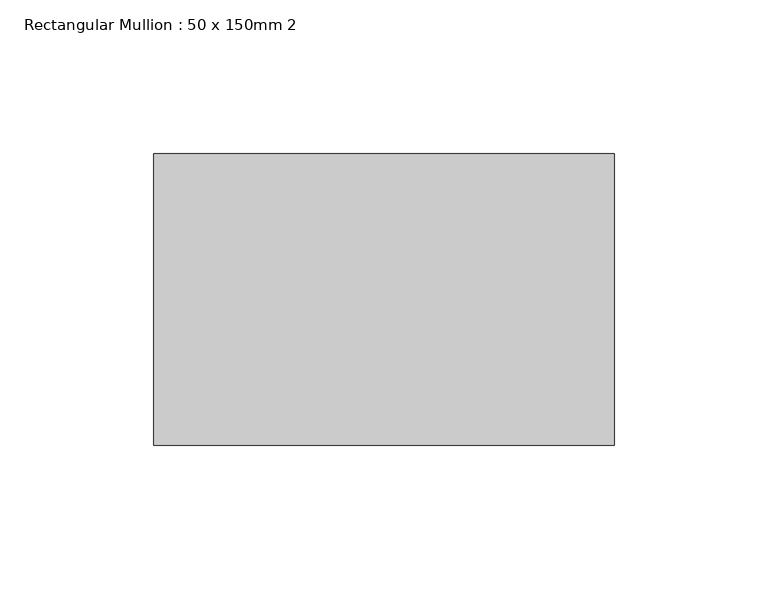
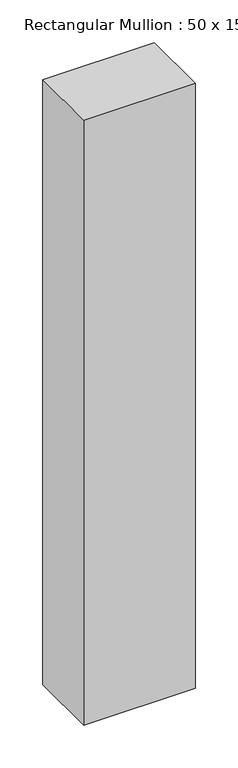
"""IFC4 building model written with IfcOpenShell, lengths in millimetres: member geometry, Rectangular Mullion : 50 x 150mm 2."""

from ifc_helpers import new_model, si_unit, frame, origin, place, context, project, spatial, polyline, outline, extrude, source, transform, mapped, element, save


def rectangular_mullion_50_x_150mm_2_e0ef08a1(model_context):
    return source(origin(), model_context, "Body", "SweptSolid", [
        extrude(outline(polyline([(0.0, 47.5), (0.0, -47.5), (-150.0, -47.5), (-150.0, 47.5), (0.0, 47.5)])), frame((0.0, 0.0, -860.7824594), z_axis=(0.0, 0.0, 1.0), x_axis=(1.0, 0.0, 0.0)), (0.0, 0.0, 1.0), 860.7824594),
    ])


if __name__ == "__main__":
    model = new_model("IFC4")
    model_context = context("Model", 3, world=origin())
    ifc_project = project(units=[si_unit("LENGTHUNIT", "METRE", prefix="MILLI")], contexts=[model_context])
    site = spatial("IfcSite", under=ifc_project)
    building = spatial("IfcBuilding", under=site)
    placement = place(None, origin())
    rectangular_mullion_50_x_150mm_2_shape = rectangular_mullion_50_x_150mm_2_e0ef08a1(model_context)
    element("IfcMember", 1, ObjectType="Rectangular Mullion : 50 x 150mm 2", at=placement, inside=building, context=model_context, shape_type="MappedRepresentation", body=[
        mapped(rectangular_mullion_50_x_150mm_2_shape, transform((0.0, 0.0, 0.0), x_axis=(1.0, 0.0, 0.0), y_axis=(0.0, 1.0, 0.0), z_axis=(0.0, 0.0, 1.0))),
    ])
    save(model, "model.ifc")
